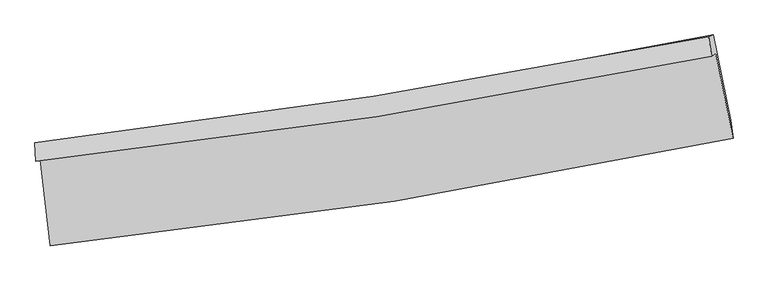
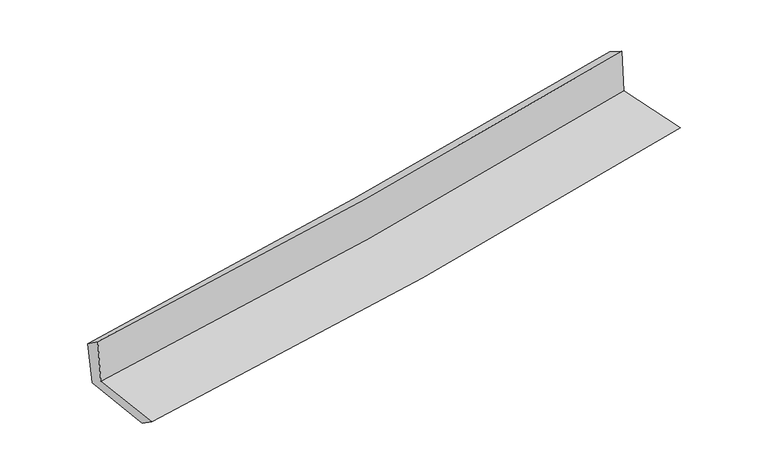
"""IFC4 building model written with IfcOpenShell, lengths in millimetres: proxy geometry."""

from ifc_helpers import new_model, si_unit, frame, origin, place, context, project, spatial, source, transform, mapped, element, save
from ifc_brep_helpers import plane_surface, spline_curve, spline_surface, advanced_brep


def generic_models_84ecc722(model_context):
    return source(origin(), model_context, "Body", "AdvancedBrep", [
        advanced_brep(
        [(-2659.8001805, -1886.0188522, 1641.1562333), (-2582.0285619, -2557.3237081, 1629.2238798), (2733.3275655, -1720.9262027, 2104.9993323), (2598.7383844, -1058.7121291, 2106.6761084), (-2694.8692904, -1901.3123794, 2048.1633339), (2565.5398387, -1083.3934918, 2514.0585229), (-2701.6775724, -1755.8166517, 1939.6724356), (2542.6498143, -931.3783203, 2429.0867432), (-2665.8657708, -1765.6620107, 1556.2045226), (2577.75848, -916.0675429, 2021.6205633), (-2589.5141338, -2419.734423, 1538.206089), (2713.8794798, -1580.4862269, 2008.3832932)],
        [
            (0, 1),
            (1, 2, spline_curve(3, [(-2582.0285619, -2557.3237081, 1629.2238798), (-1686.157546501, -2465.881237415, 1713.924309215), (-793.67131139, -2350.117368409, 1796.057853163), (978.065007464, -2070.965699156, 1954.612467747), (1857.364148064, -1907.930399489, 2031.07074112), (2733.3275655, -1720.9262027, 2104.9993323)], [4, 2, 4], [0.0, 8.849166822303095, 17.633972099223264])),
            (2, 3),
            (3, 0, spline_curve(3, [(2598.7383844, -1058.7121291, 2106.6761084), (1732.264103374, -1240.302361964, 2032.88179004), (862.427144919, -1399.868754439, 1957.33930179), (-890.369589596, -1675.96155789, 1802.191719916), (-1773.378819865, -1792.164073271, 1722.560916191), (-2659.8001805, -1886.0188522, 1641.1562333)], [4, 2, 4], [0.0, 8.784805276920169, 17.633972099223264])),
            (4, 0),
            (3, 5),
            (5, 4, spline_curve(3, [(2565.5398387, -1083.3934918, 2514.0585229), (1697.847808491, -1260.41919709, 2443.368253933), (827.24500887, -1416.918376034, 2369.352407136), (-926.181893572, -1689.859880693, 2214.102918625), (-1809.048803396, -1806.000330914, 2132.820369303), (-2694.8692904, -1901.3123794, 2048.1633339)], [4, 2, 4], [0.0, 8.737095345459997, 17.53820269128489])),
            (6, 4),
            (5, 7),
            (7, 6, spline_curve(3, [(2542.6498143, -931.3783203, 2429.0867432), (1676.646884312, -1102.734957007, 2356.369083338), (808.222097778, -1256.928584754, 2279.390195771), (-939.851413949, -1531.993771518, 2116.314761176), (-1819.53575622, -1652.61292097, 2030.155546547), (-2701.6775724, -1755.8166517, 1939.6724356)], [4, 2, 4], [0.0, 8.726422862915113, 17.51677953465325])),
            (8, 6),
            (7, 9),
            (9, 8, spline_curve(3, [(2577.75848, -916.0675429, 2021.6205633), (1713.620532931, -1099.519368805, 1951.178850745), (846.189808779, -1261.86373354, 1877.327373729), (-901.636515952, -1545.372308725, 1722.238839292), (-1782.080542233, -1666.226099607, 1640.951636208), (-2665.8657708, -1765.6620107, 1556.2045226)], [4, 2, 4], [0.0, 8.717001249327417, 17.49786728038034])),
            (10, 8),
            (9, 11),
            (11, 10, spline_curve(3, [(2713.8794798, -1580.4862269, 2008.3832932), (1837.550087422, -1753.025300378, 1937.301177328), (959.056903749, -1909.037466895, 1862.734457308), (-808.709145343, -2189.029920415, 1706.059969203), (-1698.013833158, -2312.767152388, 1623.900954451), (-2589.5141338, -2419.734423, 1538.206089)], [4, 2, 4], [0.0, 8.764875846552034, 17.593967226265132])),
            (1, 10),
            (11, 2),
        ],
        [
            spline_surface(3, 3, [[(-2659.8001805, -1886.0188522, 1641.1562333), (-1773.378819826, -1792.164073356, 1722.560916121), (-890.369589707, -1675.961557939, 1802.191719824), (862.427145029, -1399.868754391, 1957.339301881), (1732.264103233, -1240.302362092, 2032.881789898), (2598.7383844, -1058.7121291, 2106.6761084)], [(-2633.876307623, -2109.787137516, 1637.178782119), (-1744.305062027, -2016.736461395, 1719.68204717), (-858.136830218, -1900.680161475, 1800.147097624), (900.97309915, -1623.567735945, 1956.43035716), (1773.964118162, -1462.845041224, 2032.278107039), (2643.601444772, -1279.450153639, 2106.117183056)], [(-2607.952434777, -2333.555422784, 1633.201330981), (-1715.231304259, -2241.308849387, 1716.803178261), (-825.904070768, -2125.398764994, 1798.102475409), (939.519053233, -1847.266717481, 1955.521412423), (1815.664133076, -1685.387720337, 2031.674424111), (2688.464505128, -1500.188178161, 2105.558257644)], [(-2582.0285619, -2557.3237081, 1629.2238798), (-1686.15754646, -2465.881237427, 1713.924309311), (-793.671311278, -2350.117368531, 1796.057853209), (978.065007353, -2070.965699035, 1954.612467702), (1857.364148005, -1907.930399468, 2031.070741251), (2733.3275655, -1720.9262027, 2104.9993323)]], [4, 4], [4, 2, 4], [0.0, 2.2341481025544763], [0.0, 8.849166822303095, 17.633972099223264]),
            spline_surface(3, 3, [[(-2694.8692904, -1901.3123794, 2048.1633339), (-1809.048803477, -1806.000330815, 2132.820369192), (-926.181893437, -1689.85988069, 2214.102918689), (827.245008735, -1416.918376037, 2369.352407072), (1697.847808401, -1260.419196977, 2443.36825391), (2565.5398387, -1083.3934918, 2514.0585229)], [(-2683.179587092, -1896.214536995, 1912.494300362), (-1797.158808919, -1801.38824499, 1996.067218163), (-914.244458874, -1685.227106431, 2076.799185727), (838.972387486, -1411.235168813, 2232.014705334), (1709.319906679, -1253.71358536, 2306.539432559), (2576.606020601, -1075.166370911, 2378.264384719)], [(-2671.489883808, -1891.116694605, 1776.825266838), (-1785.268814385, -1796.77615918, 1859.314067149), (-902.30702427, -1680.594332198, 1939.495452787), (850.699766278, -1405.551961615, 2094.677003619), (1720.792004955, -1247.00797371, 2169.71061125), (2587.672202499, -1066.939249989, 2242.470246581)], [(-2659.8001805, -1886.0188522, 1641.1562333), (-1773.378819826, -1792.164073356, 1722.560916121), (-890.369589707, -1675.961557939, 1802.191719824), (862.427145029, -1399.868754391, 1957.339301881), (1732.264103233, -1240.302362092, 2032.881789898), (2598.7383844, -1058.7121291, 2106.6761084)]], [4, 4], [4, 2, 4], [0.0, 1.357537495456087], [0.0, 8.801107345824894, 17.53820269128489]),
            spline_surface(3, 3, [[(-2701.6775724, -1755.8166517, 1939.6724356), (-1819.535756192, -1652.612920901, 2030.155546555), (-939.851413898, -1531.993771473, 2116.314761289), (808.222097727, -1256.928584799, 2279.390195658), (1676.64688432, -1102.734957093, 2356.369083418), (2542.6498143, -931.3783203, 2429.0867432)], [(-2699.408145058, -1804.315227596, 1975.83606838), (-1816.040105279, -1703.742057536, 2064.377154114), (-935.29490706, -1584.615807906, 2148.910813771), (814.563068081, -1310.258515239, 2309.377599478), (1683.713859012, -1155.296370375, 2385.368806908), (2550.279822431, -982.050044121, 2457.410669759)], [(-2697.138717742, -1852.813803504, 2011.99970112), (-1812.54445439, -1754.871194181, 2098.598761633), (-930.738400275, -1637.237844257, 2181.506866208), (820.904038381, -1363.588445597, 2339.365003253), (1690.780833709, -1207.857783694, 2414.36853042), (2557.909830569, -1032.721767979, 2485.734596341)], [(-2694.8692904, -1901.3123794, 2048.1633339), (-1809.048803477, -1806.000330815, 2132.820369192), (-926.181893437, -1689.85988069, 2214.102918689), (827.245008735, -1416.918376037, 2369.352407072), (1697.847808401, -1260.419196977, 2443.36825391), (2565.5398387, -1083.3934918, 2514.0585229)]], [4, 4], [4, 2, 4], [0.0, 0.6079748422878969], [0.0, 8.790356671738136, 17.51677953465325]),
            spline_surface(3, 3, [[(-2665.8657708, -1765.6620107, 1556.2045226), (-1782.080542171, -1666.226099582, 1640.951636172), (-901.636515943, -1545.372308612, 1722.238839428), (846.18980877, -1261.863733653, 1877.327373594), (1713.6205328, -1099.519368696, 1951.178850613), (2577.75848, -916.0675429, 2021.6205633)], [(-2677.803038021, -1762.380224358, 1684.02716025), (-1794.565613532, -1661.688373346, 1770.686272949), (-914.374815282, -1540.912796219, 1853.597480042), (833.533905069, -1260.218684022, 2011.348314276), (1701.295983288, -1100.59123149, 2086.242261572), (2566.055591414, -921.171135362, 2157.44262329)], [(-2689.740305179, -1759.098438042, 1811.84979795), (-1807.05068483, -1657.150647137, 1900.420909778), (-927.11311456, -1536.453283865, 1984.956120675), (820.878001429, -1258.57363443, 2145.369254976), (1688.971433833, -1101.663094298, 2221.30567246), (2554.352702886, -926.274727838, 2293.26468321)], [(-2701.6775724, -1755.8166517, 1939.6724356), (-1819.535756192, -1652.612920901, 2030.155546555), (-939.851413898, -1531.993771473, 2116.314761289), (808.222097727, -1256.928584799, 2279.390195658), (1676.64688432, -1102.734957093, 2356.369083418), (2542.6498143, -931.3783203, 2429.0867432)]], [4, 4], [4, 2, 4], [0.0, 1.312218719620624], [0.0, 8.780866031052923, 17.49786728038034]),
            spline_surface(3, 3, [[(-2589.5141338, -2419.734423, 1538.206089), (-1698.013833087, -2312.76715238, 1623.900954495), (-808.709145385, -2189.029920313, 1706.059969236), (959.056903791, -1909.037466996, 1862.734457275), (1837.550087312, -1753.025300323, 1937.301177289), (2713.8794798, -1580.4862269, 2008.3832932)], [(-2614.964679468, -2201.710285594, 1544.205566875), (-1726.03606945, -2097.253468141, 1629.584515062), (-839.684935568, -1974.477383075, 1711.452925951), (921.434538787, -1693.31288921, 1867.598762699), (1796.240235824, -1535.189989784, 1941.927068395), (2668.505813216, -1359.013332237, 2012.795716565)], [(-2640.415225132, -1983.686148106, 1550.205044725), (-1754.058305809, -1881.739783821, 1635.268075605), (-870.660725761, -1759.92484585, 1716.845882713), (883.812173774, -1477.588311439, 1872.46306817), (1754.930384288, -1317.354679235, 1946.552959506), (2623.132146584, -1137.540437563, 2017.208139935)], [(-2665.8657708, -1765.6620107, 1556.2045226), (-1782.080542171, -1666.226099582, 1640.951636172), (-901.636515943, -1545.372308612, 1722.238839428), (846.18980877, -1261.863733653, 1877.327373594), (1713.6205328, -1099.519368696, 1951.178850613), (2577.75848, -916.0675429, 2021.6205633)]], [4, 4], [4, 2, 4], [0.0, 2.1447632190484143], [0.0, 8.829091379713098, 17.593967226265132]),
            spline_surface(3, 3, [[(-2582.0285619, -2557.3237081, 1629.2238798), (-1686.15754646, -2465.881237427, 1713.924309311), (-793.671311278, -2350.117368531, 1796.057853209), (978.065007353, -2070.965699035, 1954.612467702), (1857.364148005, -1907.930399468, 2031.070741251), (2733.3275655, -1720.9262027, 2104.9993323)], [(-2584.523752539, -2511.460613041, 1598.884616214), (-1690.109642008, -2414.843209052, 1683.916524386), (-798.683922647, -2296.421552451, 1766.058558561), (971.728972833, -2016.989621682, 1923.986464236), (1850.759461107, -1856.295366416, 1999.814219907), (2726.844870266, -1674.11287743, 2072.79398591)], [(-2587.018943161, -2465.597518059, 1568.545352586), (-1694.061737539, -2363.805180755, 1653.90873942), (-803.696534016, -2242.725736393, 1736.059263885), (965.392938311, -1963.013544349, 1893.360460741), (1844.15477421, -1804.660333375, 1968.557698633), (2720.362175034, -1627.29955217, 2040.58863959)], [(-2589.5141338, -2419.734423, 1538.206089), (-1698.013833087, -2312.76715238, 1623.900954495), (-808.709145385, -2189.029920313, 1706.059969236), (959.056903791, -1909.037466996, 1862.734457275), (1837.550087312, -1753.025300323, 1937.301177289), (2713.8794798, -1580.4862269, 2008.3832932)]], [4, 4], [4, 2, 4], [0.0, 0.6106369364094434], [0.0, 8.886567481566642, 17.70850139618303]),
            plane_surface(frame((2621.9822604, -1215.1606523, 2197.4707606), z_axis=(0.9758966679548495, 0.19811064452885688, 0.09153068337439202), x_axis=(-0.0857852181901154, -0.03741066060002388, 0.9956110379126701))),
            plane_surface(frame((-2648.9592516, -2047.6446709, 1725.437749), z_axis=(-0.9895491876300321, -0.11304963264755176, -0.08951081397796241), x_axis=(-0.11506376853518258, 0.9932012207070778, 0.017654018139013718))),
        ],
        [
            (0, [[1, 2, 3, 4]]),
            (1, [[5, -4, 6, 7]]),
            (2, [[8, -7, 9, 10]]),
            (3, [[11, -10, 12, 13]]),
            (4, [[14, -13, 15, 16]]),
            (5, [[17, -16, 18, -2]]),
            (6, [[-12, -9, -6, -3, -18, -15]]),
            (7, [[-1, -5, -8, -11, -14, -17]]),
        ],
    ),
    ])


if __name__ == "__main__":
    model = new_model("IFC4")
    model_context = context("Model", 3, world=origin())
    ifc_project = project(units=[si_unit("LENGTHUNIT", "METRE", prefix="MILLI")], contexts=[model_context])
    site = spatial("IfcSite", under=ifc_project)
    building = spatial("IfcBuilding", under=site)
    placement = place(None, origin())
    generic_models_shape = generic_models_84ecc722(model_context)
    element("IfcBuildingElementProxy", 1, Name="Generic Models", at=placement, inside=building, context=model_context, shape_type="MappedRepresentation", body=[
        mapped(generic_models_shape, transform((0.0, 0.0, 0.0), x_axis=(1.0, 0.0, 0.0), y_axis=(0.0, 1.0, 0.0), z_axis=(0.0, 0.0, 1.0))),
    ])
    save(model, "model.ifc")
